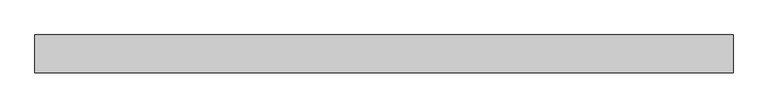
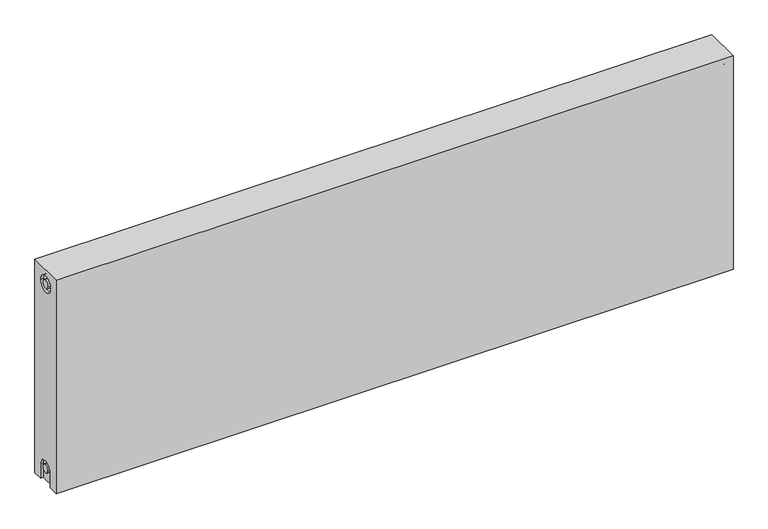
"""IFC4 building model written with IfcOpenShell, lengths in millimetres: proxy geometry."""

from ifc_helpers import new_model, si_unit, frame, origin, place, context, project, spatial, polyline, circle_curve, source, transform, mapped, element, save
from ifc_brep_helpers import plane_surface, cylinder_surface, revolved_surface, advanced_brep


def mechanical_equipment_5fbecafa(model_context):
    return source(origin(), model_context, "Body", "AdvancedBrep", [
        advanced_brep(
        [(1200.0, 32.5, 400.0), (1200.0, 32.5, 0.0), (0.0, 32.5, 0.0), (0.0, 32.5, 400.0), (1200.0, -32.5, 400.0), (0.0, -32.5, 400.0), (0.0, -32.5, 0.0), (1200.0, -32.5, 0.0), (1200.0, -14.65, 0.0), (1200.0, -14.65, 27.0), (1200.0, 15.35, 27.0), (1200.0, 15.35, 0.0), (1200.0, 14.7242393, 373.0), (1200.0, -15.2757607, 373.0), (1200.0, -7.5, 27.0), (1200.0, 7.5, 27.0), (1200.0, 7.2242393, 373.0), (1200.0, -7.7757607, 373.0), (1195.0, 15.35, 0.0), (1195.0, -14.65, 0.0), (0.0, -15.0, 0.0), (5.0, -15.0, 0.0), (5.0, 15.0, 0.0), (0.0, 15.0, 0.0), (0.0, 15.0, 27.0), (0.0, -15.0, 27.0), (0.0, -15.2757607, 373.0), (0.0, 14.7242393, 373.0), (0.0, -7.7757607, 373.0), (0.0, 7.2242393, 373.0), (0.0, 7.5682726, 27.0), (0.0, -7.4317274, 27.0), (5.0, -15.2757607, 373.0), (5.0, 14.7242393, 373.0), (5.0, -7.7757607, 373.0), (5.0, 7.2242393, 373.0), (5.0, -15.0, 27.0), (5.0, 15.0, 27.0), (5.0, -7.4317274, 27.0), (5.0, 7.5682726, 27.0), (1195.0, 15.35, 27.0), (1195.0, -14.65, 27.0), (1195.0, -7.5, 27.0), (1195.0, 7.5, 27.0), (1195.0, -15.2757607, 373.0), (1195.0, 14.7242393, 373.0), (1195.0, -7.7757607, 373.0), (1195.0, 7.2242393, 373.0)],
        [
            (0, 1),
            (1, 2),
            (2, 3),
            (3, 0),
            (4, 5),
            (5, 6),
            (6, 7),
            (7, 4),
            (0, 4),
            (7, 8),
            (8, 9),
            (9, 10, circle_curve(frame((1200.0, 0.35, 27.0), z_axis=(-1.0, 0.0, 0.0), x_axis=(0.0, 1.0, 0.0)), 15.0)),
            (10, 11),
            (11, 1),
            (12, 13, circle_curve(frame((1200.0, -0.2757607, 373.0), z_axis=(-1.0, 0.0, 0.0), x_axis=(0.0, 1.0, 0.0)), 15.0)),
            (13, 12, circle_curve(frame((1200.0, -0.2757607, 373.0), z_axis=(-1.0, 0.0, 0.0), x_axis=(0.0, 1.0, 0.0)), 15.0)),
            (14, 15, circle_curve(frame((1200.0, 0.0, 27.0), z_axis=(1.0, 0.0, 0.0), x_axis=(0.0, 1.0, 0.0)), 7.5)),
            (15, 14, circle_curve(frame((1200.0, 0.0, 27.0), z_axis=(1.0, 0.0, 0.0), x_axis=(0.0, 1.0, 0.0)), 7.5)),
            (16, 17, circle_curve(frame((1200.0, -0.2757607, 373.0), z_axis=(1.0, 0.0, 0.0), x_axis=(0.0, 1.0, 0.0)), 7.5)),
            (17, 16, circle_curve(frame((1200.0, -0.2757607, 373.0), z_axis=(1.0, 0.0, 0.0), x_axis=(0.0, 1.0, 0.0)), 7.5)),
            (11, 18),
            (18, 19),
            (19, 8),
            (6, 20),
            (20, 21),
            (21, 22),
            (22, 23),
            (23, 2),
            (23, 24),
            (24, 25, circle_curve(frame((0.0, 0.0, 27.0), z_axis=(1.0, 0.0, 0.0), x_axis=(0.0, 1.0, 0.0)), 15.0)),
            (25, 20),
            (5, 3),
            (26, 27, circle_curve(frame((0.0, -0.2757607, 373.0), z_axis=(1.0, 0.0, 0.0), x_axis=(0.0, 1.0, 0.0)), 15.0)),
            (27, 26, circle_curve(frame((0.0, -0.2757607, 373.0), z_axis=(1.0, 0.0, 0.0), x_axis=(0.0, 1.0, 0.0)), 15.0)),
            (28, 29, circle_curve(frame((0.0, -0.2757607, 373.0), z_axis=(-1.0, 0.0, 0.0), x_axis=(0.0, 1.0, 0.0)), 7.5)),
            (29, 28, circle_curve(frame((0.0, -0.2757607, 373.0), z_axis=(-1.0, 0.0, 0.0), x_axis=(0.0, 1.0, 0.0)), 7.5)),
            (30, 31, circle_curve(frame((0.0, 0.0682726, 27.0), z_axis=(-1.0, 0.0, 0.0), x_axis=(0.0, 1.0, 0.0)), 7.5)),
            (31, 30, circle_curve(frame((0.0, 0.0682726, 27.0), z_axis=(-1.0, 0.0, 0.0), x_axis=(0.0, 1.0, 0.0)), 7.5)),
            (32, 33, circle_curve(frame((5.0, -0.2757607, 373.0), z_axis=(-1.0, 0.0, 0.0), x_axis=(0.0, 1.0, 0.0)), 15.0)),
            (33, 32, circle_curve(frame((5.0, -0.2757607, 373.0), z_axis=(-1.0, 0.0, 0.0), x_axis=(0.0, 1.0, 0.0)), 15.0)),
            (34, 35, circle_curve(frame((5.0, -0.2757607, 373.0), z_axis=(1.0, 0.0, 0.0), x_axis=(0.0, 1.0, 0.0)), 7.5)),
            (35, 34, circle_curve(frame((5.0, -0.2757607, 373.0), z_axis=(1.0, 0.0, 0.0), x_axis=(0.0, 1.0, 0.0)), 7.5)),
            (33, 27),
            (26, 32),
            (35, 29),
            (28, 34),
            (21, 36),
            (36, 37, circle_curve(frame((5.0, 0.0, 27.0), z_axis=(-1.0, 0.0, 0.0), x_axis=(0.0, 1.0, 0.0)), 15.0)),
            (37, 22),
            (38, 39, circle_curve(frame((5.0, 0.0682726, 27.0), z_axis=(1.0, 0.0, 0.0), x_axis=(0.0, 1.0, 0.0)), 7.5)),
            (39, 38, circle_curve(frame((5.0, 0.0682726, 27.0), z_axis=(1.0, 0.0, 0.0), x_axis=(0.0, 1.0, 0.0)), 7.5)),
            (38, 31),
            (30, 39),
            (37, 24),
            (36, 25),
            (18, 40),
            (40, 41, circle_curve(frame((1195.0, 0.35, 27.0), z_axis=(1.0, 0.0, 0.0), x_axis=(0.0, 1.0, 0.0)), 15.0)),
            (41, 19),
            (42, 43, circle_curve(frame((1195.0, 0.0, 27.0), z_axis=(-1.0, 0.0, 0.0), x_axis=(0.0, 1.0, 0.0)), 7.5)),
            (43, 42, circle_curve(frame((1195.0, 0.0, 27.0), z_axis=(-1.0, 0.0, 0.0), x_axis=(0.0, 1.0, 0.0)), 7.5)),
            (43, 15),
            (14, 42),
            (10, 40),
            (9, 41),
            (44, 45, circle_curve(frame((1195.0, -0.2757607, 373.0), z_axis=(1.0, 0.0, 0.0), x_axis=(0.0, 1.0, 0.0)), 15.0)),
            (45, 44, circle_curve(frame((1195.0, -0.2757607, 373.0), z_axis=(1.0, 0.0, 0.0), x_axis=(0.0, 1.0, 0.0)), 15.0)),
            (46, 47, circle_curve(frame((1195.0, -0.2757607, 373.0), z_axis=(-1.0, 0.0, 0.0), x_axis=(0.0, 1.0, 0.0)), 7.5)),
            (47, 46, circle_curve(frame((1195.0, -0.2757607, 373.0), z_axis=(-1.0, 0.0, 0.0), x_axis=(0.0, 1.0, 0.0)), 7.5)),
            (44, 13),
            (12, 45),
            (46, 17),
            (16, 47),
        ],
        [
            plane_surface(frame((1200.0, 32.5, 400.0), z_axis=(0.0, 1.0, 0.0), x_axis=(0.0, 0.0, -1.0))),
            plane_surface(frame((1200.0, -32.5, 400.0), z_axis=(0.0, -1.0, 0.0), x_axis=(0.0, 0.0, 1.0))),
            plane_surface(frame((1200.0, 32.5, 400.0), z_axis=(1.0, 0.0, 0.0), x_axis=(0.0, -1.0, 0.0))),
            plane_surface(frame((1200.0, 32.5, 0.0), z_axis=(0.0, 0.0, -1.0), x_axis=(0.0, -1.0, 0.0))),
            plane_surface(frame((0.0, 32.5, 0.0), z_axis=(-1.0, 0.0, 0.0), x_axis=(0.0, -1.0, 0.0))),
            plane_surface(frame((0.0, 32.5, 400.0), z_axis=(0.0, 0.0, 1.0), x_axis=(0.0, -1.0, 0.0))),
            plane_surface(frame((5.0, 14.7242393, 373.0), z_axis=(-1.0, 0.0, 0.0), x_axis=(0.0, 0.0, 1.0))),
            revolved_surface(polyline([(5.0, 14.7242393, 373.0), (0.0, 14.7242393, 373.0)]), (0.0, -0.2757607, 373.0), (1.0, 0.0, 0.0)),
            cylinder_surface(frame((0.0, -0.2757607, 373.0), z_axis=(-1.0, 0.0, 0.0), x_axis=(0.0, 1.0, 0.0)), 7.5),
            plane_surface(frame((5.0, 7.5682726, 27.0), z_axis=(-1.0, 0.0, 0.0), x_axis=(0.0, 0.0, -1.0))),
            cylinder_surface(frame((0.0, 0.0682726, 27.0), z_axis=(-1.0, 0.0, 0.0), x_axis=(0.0, 1.0, 0.0)), 7.5),
            plane_surface(frame((5.0, 15.0, 0.0), z_axis=(0.0, -1.0, 0.0), x_axis=(-1.0, 0.0, 0.0))),
            revolved_surface(polyline([(5.0, 15.0, 27.0), (0.0, 15.0, 27.0)]), (0.0, 0.0, 27.0), (1.0, 0.0, 0.0)),
            plane_surface(frame((5.0, -15.0, 27.0), z_axis=(0.0, 1.0, 0.0), x_axis=(-1.0, 0.0, 0.0))),
            plane_surface(frame((1195.0, 7.5, 27.0), z_axis=(1.0, 0.0, 0.0), x_axis=(0.0, 0.0, 1.0))),
            cylinder_surface(frame((1195.0, 0.0, 27.0), z_axis=(-1.0, 0.0, 0.0), x_axis=(0.0, 1.0, 0.0)), 7.5),
            plane_surface(frame((1200.0, 15.35, 0.0), z_axis=(0.0, -1.0, 0.0), x_axis=(-1.0, 0.0, 0.0))),
            revolved_surface(polyline([(1200.0, 15.35, 27.0), (1195.0, 15.35, 27.0)]), (895.0, 0.35, 27.0), (1.0, 0.0, 0.0)),
            plane_surface(frame((1200.0, -14.65, 27.0), z_axis=(0.0, 1.0, 0.0), x_axis=(-1.0, 0.0, 0.0))),
            plane_surface(frame((1195.0, 14.7242393, 373.0), z_axis=(1.0, 0.0, 0.0), x_axis=(0.0, 0.0, -1.0))),
            revolved_surface(polyline([(1200.0, 14.7242393, 373.0), (1195.0, 14.7242393, 373.0)]), (1195.0, -0.2757607, 373.0), (1.0, 0.0, 0.0)),
            cylinder_surface(frame((895.0, -0.2757607, 373.0), z_axis=(-1.0, 0.0, 0.0), x_axis=(0.0, 1.0, 0.0)), 7.5),
        ],
        [
            (0, [[1, 2, 3, 4]]),
            (1, [[5, 6, 7, 8]]),
            (2, [[-1, 9, -8, 10, 11, 12, 13, 14], [15, 16]]),
            (2, [[17, 18]]),
            (2, [[19, 20]]),
            (3, [[-2, -14, 21, 22, 23, -10, -7, 24, 25, 26, 27, 28]]),
            (4, [[-3, -28, 29, 30, 31, -24, -6, 32], [33, 34]]),
            (4, [[35, 36]]),
            (4, [[37, 38]]),
            (5, [[-4, -32, -5, -9]]),
            (6, [[39, 40], [41, 42]]),
            (7, [[-40, 43, -33, 44]]),
            (7, [[-39, -44, -34, -43]]),
            (8, [[-42, 45, -35, 46]]),
            (8, [[-41, -46, -36, -45]]),
            (9, [[47, 48, 49, -26], [50, 51]]),
            (10, [[-50, 52, -37, 53]]),
            (10, [[-51, -53, -38, -52]]),
            (11, [[-49, 54, -29, -27]]),
            (12, [[-48, 55, -30, -54]]),
            (13, [[-47, -25, -31, -55]]),
            (14, [[56, 57, 58, -22], [59, 60]]),
            (15, [[-60, 61, -17, 62]]),
            (15, [[-59, -62, -18, -61]]),
            (16, [[-56, -21, -13, 63]]),
            (17, [[-57, -63, -12, 64]]),
            (18, [[-58, -64, -11, -23]]),
            (19, [[65, 66], [67, 68]]),
            (20, [[-65, 69, -15, 70]]),
            (20, [[-66, -70, -16, -69]]),
            (21, [[-67, 71, -19, 72]]),
            (21, [[-68, -72, -20, -71]]),
        ],
    ),
    ])


if __name__ == "__main__":
    model = new_model("IFC4")
    model_context = context("Model", 3, world=origin())
    ifc_project = project(units=[si_unit("LENGTHUNIT", "METRE", prefix="MILLI")], contexts=[model_context])
    site = spatial("IfcSite", under=ifc_project)
    building = spatial("IfcBuilding", under=site)
    placement = place(None, origin())
    mechanical_equipment_shape = mechanical_equipment_5fbecafa(model_context)
    element("IfcBuildingElementProxy", 1, Name="Mechanical Equipment", at=placement, inside=building, context=model_context, shape_type="MappedRepresentation", body=[
        mapped(mechanical_equipment_shape, transform((0.0, 0.0, 0.0), x_axis=(1.0, 0.0, 0.0), y_axis=(0.0, 1.0, 0.0), z_axis=(0.0, 0.0, 1.0))),
    ])
    save(model, "model.ifc")
